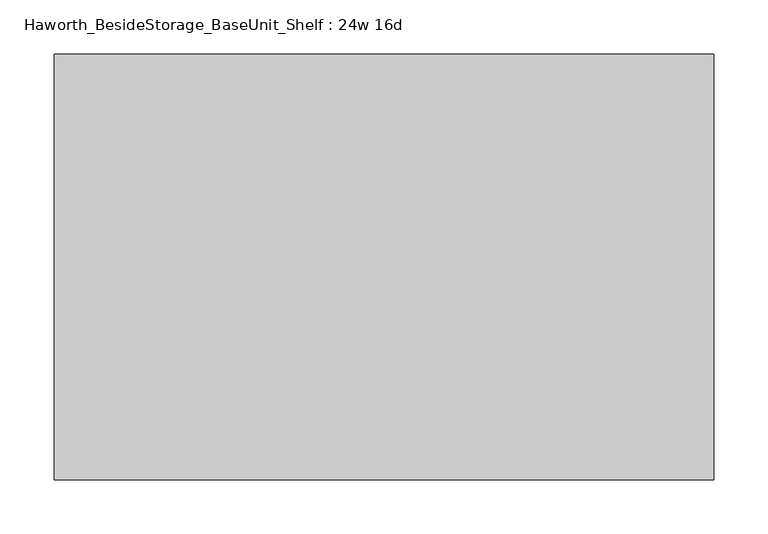
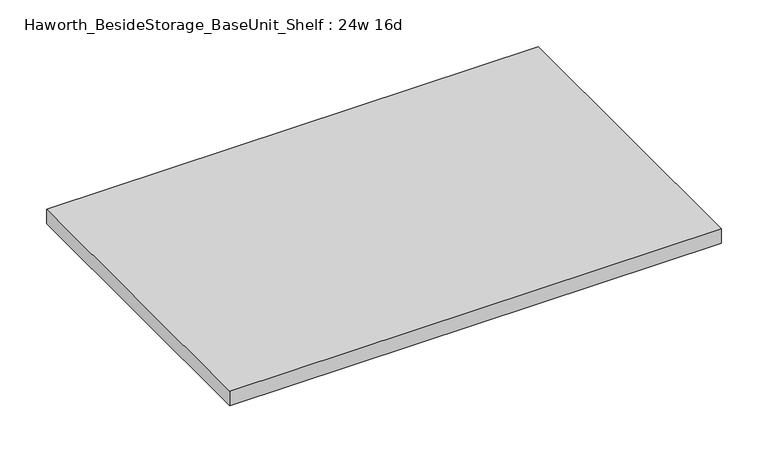
"""IFC4 building model written with IfcOpenShell, lengths in millimetres: furniture geometry, Haworth_BesideStorage_BaseUnit_Shelf : 24w 16d."""

from ifc_helpers import new_model, si_unit, frame, origin, place, context, project, spatial, polyline, outline, extrude, source, transform, mapped, element, save


def haworth_besidestorage_baseunit_shelf_24w_16d_35411d2e(model_context):
    return source(origin(), model_context, "Body", "SweptSolid", [
        extrude(outline(polyline([(304.8, 196.85), (304.8, -196.85), (-304.8, -196.85), (-304.8, 196.85), (304.8, 196.85)])), frame((0.0, 0.0, 277.8125), z_axis=(0.0, 0.0, 1.0), x_axis=(1.0, 0.0, 0.0)), (0.0, 0.0, 1.0), 19.05),
    ])


if __name__ == "__main__":
    model = new_model("IFC4")
    model_context = context("Model", 3, world=origin())
    ifc_project = project(units=[si_unit("LENGTHUNIT", "METRE", prefix="MILLI")], contexts=[model_context])
    site = spatial("IfcSite", under=ifc_project)
    building = spatial("IfcBuilding", under=site)
    placement = place(None, origin())
    haworth_besidestorage_baseunit_shelf_24w_16d_shape = haworth_besidestorage_baseunit_shelf_24w_16d_35411d2e(model_context)
    element("IfcFurniture", 1, ObjectType="Haworth_BesideStorage_BaseUnit_Shelf : 24w 16d", at=placement, inside=building, context=model_context, shape_type="MappedRepresentation", body=[
        mapped(haworth_besidestorage_baseunit_shelf_24w_16d_shape, transform((0.0, 0.0, 0.0), x_axis=(1.0, 0.0, 0.0), y_axis=(0.0, 1.0, 0.0), z_axis=(0.0, 0.0, 1.0))),
    ])
    save(model, "model.ifc")
